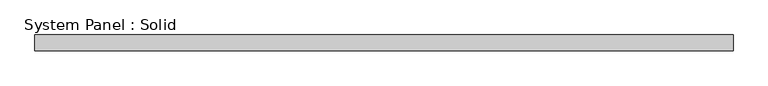
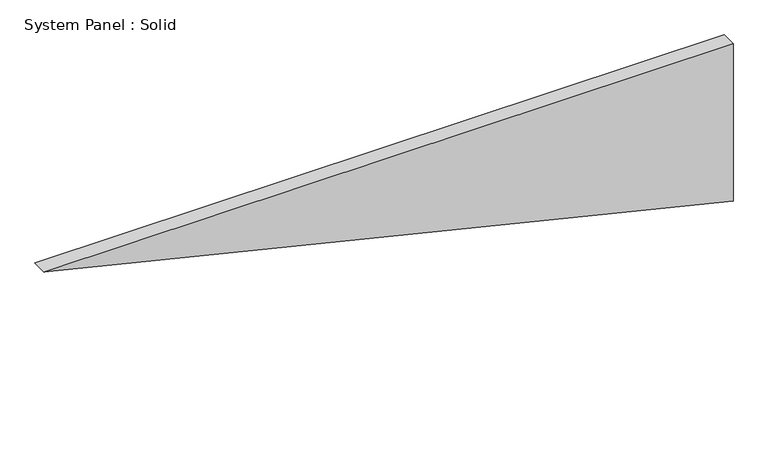
"""IFC4 building model written with IfcOpenShell, lengths in millimetres: plate geometry, System Panel : Solid."""

from ifc_helpers import new_model, si_unit, frame, origin, place, context, project, spatial, polyline, outline, extrude, source, transform, mapped, element, save


def system_panel_solid_8cbc5643(model_context):
    return source(origin(), model_context, "Body", "SweptSolid", [
        extrude(outline(polyline([(640.1505407, -1324.7234425), (0.0, 1324.7234425), (640.1505407, 1324.7234425), (640.1505407, -1324.7234425)])), frame((0.0, -10.5, 0.0), z_axis=(0.0, 1.0, 0.0), x_axis=(0.0, 0.0, 1.0)), (0.0, 0.0, 1.0), 60.0),
    ])


if __name__ == "__main__":
    model = new_model("IFC4")
    model_context = context("Model", 3, world=origin())
    ifc_project = project(units=[si_unit("LENGTHUNIT", "METRE", prefix="MILLI")], contexts=[model_context])
    site = spatial("IfcSite", under=ifc_project)
    building = spatial("IfcBuilding", under=site)
    placement = place(None, origin())
    system_panel_solid_shape = system_panel_solid_8cbc5643(model_context)
    element("IfcPlate", 1, ObjectType="System Panel : Solid", at=placement, inside=building, context=model_context, shape_type="MappedRepresentation", body=[
        mapped(system_panel_solid_shape, transform((0.0, 0.0, 0.0), x_axis=(1.0, 0.0, 0.0), y_axis=(0.0, 1.0, 0.0), z_axis=(0.0, 0.0, 1.0))),
    ])
    save(model, "model.ifc")
